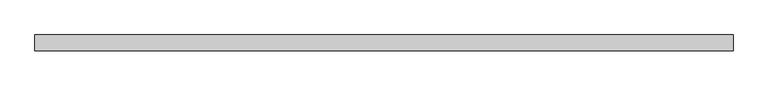
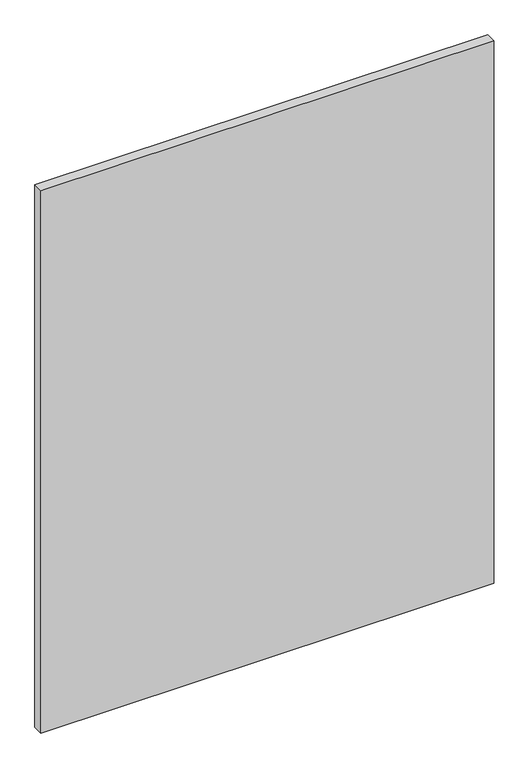
"""IFC4 building model written with IfcOpenShell, lengths in millimetres: plate geometry."""

from ifc_helpers import new_model, si_unit, origin, origin_with_axes, place, context, project, spatial, polyline, outline, extrude, source, transform, mapped, element, save


def plate_bf18068d(model_context):
    return source(origin(), model_context, "Body", "SweptSolid", [
        extrude(outline(polyline([(695.5234375, -15.875), (-695.5234375, -15.875), (-695.5234375, 15.875), (695.5234375, 15.875), (695.5234375, -15.875)])), origin_with_axes(), (0.0, 0.0, 1.0), 1761.2320313),
    ])


if __name__ == "__main__":
    model = new_model("IFC4")
    model_context = context("Model", 3, world=origin())
    ifc_project = project(units=[si_unit("LENGTHUNIT", "METRE", prefix="MILLI")], contexts=[model_context])
    site = spatial("IfcSite", under=ifc_project)
    building = spatial("IfcBuilding", under=site)
    placement = place(None, origin())
    plate_shape = plate_bf18068d(model_context)
    element("IfcPlate", 1, at=placement, inside=building, context=model_context, shape_type="MappedRepresentation", body=[
        mapped(plate_shape, transform((0.0, 0.0, 0.0), x_axis=(1.0, 0.0, 0.0), y_axis=(0.0, 1.0, 0.0), z_axis=(0.0, 0.0, 1.0))),
    ])
    save(model, "model.ifc")
